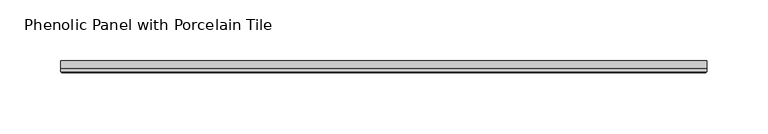
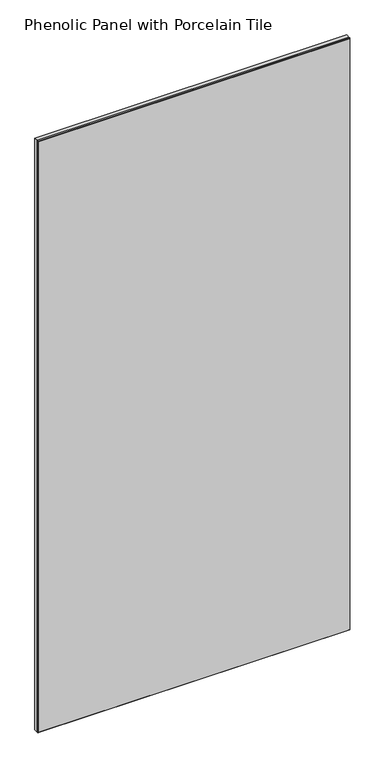
"""IFC4 building model written with IfcOpenShell, lengths in millimetres: proxy geometry, Phenolic Panel with Porcelain Tile."""

from ifc_helpers import new_model, si_unit, origin, origin_with_axes, place, context, project, spatial, polyline, outline, extrude, faceted_brep, source, transform, mapped, element, save


def phenolic_panel_with_porcelain_tile_75eb2a0a(model_context):
    return source(origin(), model_context, "Body", "SolidModel", [
        faceted_brep([(-73.025, -3.175, 1063.625), (-73.025, -5.55625, 1063.625), (457.2, -5.5546839, 1063.625), (457.2, -3.175, 1063.625), (-73.025, -3.175, 0.0), (457.2, -3.175, 0.0), (457.2, -5.55625, 0.0), (-73.025, -5.5571697, 0.0), (-72.23125, -6.35, 1062.8296839), (-72.23125, -6.35, 0.7926621), (456.40625, -6.35, 0.7926621), (456.40625, -6.35, 1062.8296839)], [[[0, 1, 2, 3]], [[4, 5, 6, 7]], [[1, 0, 4, 7]], [[8, 9, 10, 11]], [[3, 2, 6, 5]], [[1, 7, 9, 8]], [[6, 2, 11, 10]], [[2, 1, 8, 11]], [[7, 6, 10, 9]], [[0, 3, 5, 4]]]),
        extrude(outline(polyline([(457.2, 3.175), (457.2, -3.175), (-73.025, -3.175), (-73.025, 3.175), (457.2, 3.175)])), origin_with_axes(), (0.0, 0.0, 1.0), 1063.625),
    ])


if __name__ == "__main__":
    model = new_model("IFC4")
    model_context = context("Model", 3, world=origin())
    ifc_project = project(units=[si_unit("LENGTHUNIT", "METRE", prefix="MILLI")], contexts=[model_context])
    site = spatial("IfcSite", under=ifc_project)
    building = spatial("IfcBuilding", under=site)
    placement = place(None, origin())
    phenolic_panel_with_porcelain_tile_shape = phenolic_panel_with_porcelain_tile_75eb2a0a(model_context)
    element("IfcBuildingElementProxy", 1, Name="Phenolic Panel with Porcelain Tile", ObjectType="Phenolic Panel with Porcelain Tile", at=placement, inside=building, context=model_context, shape_type="MappedRepresentation", body=[
        mapped(phenolic_panel_with_porcelain_tile_shape, transform((0.0, 0.0, 0.0), x_axis=(1.0, 0.0, 0.0), y_axis=(0.0, 1.0, 0.0), z_axis=(0.0, 0.0, 1.0))),
    ])
    save(model, "model.ifc")
